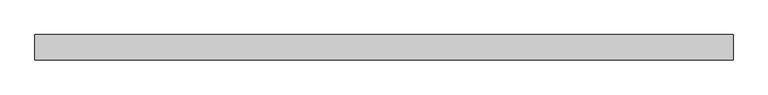
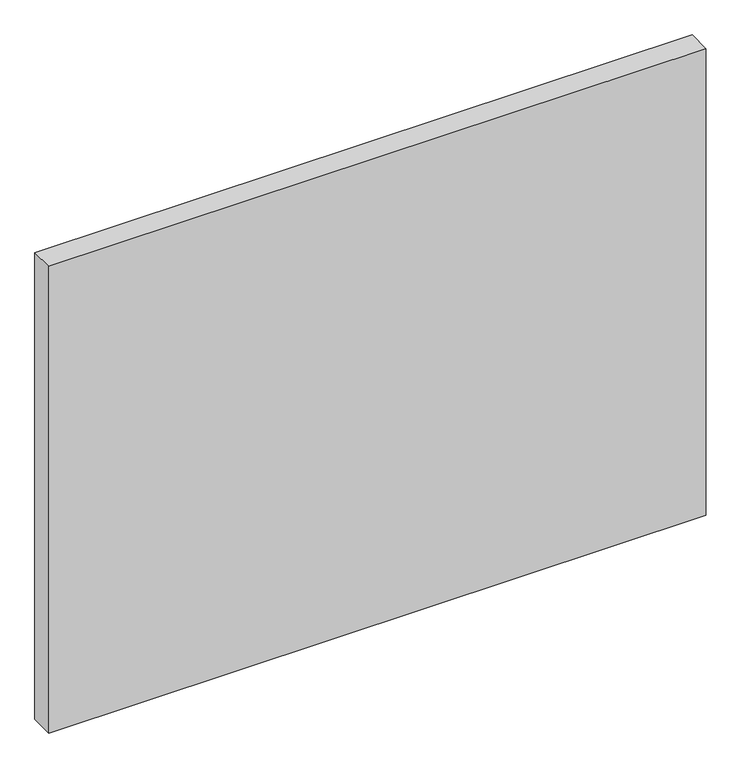
"""IFC4 building model written with IfcOpenShell, lengths in millimetres: plate geometry."""

import ifcopenshell
import ifcopenshell.guid

model = None  # the IFC model being written
_history = None  # IfcOwnerHistory: only IFC2X3 demands one
_inside = {}  # id of a spatial element -> (the spatial element, [elements in it])
_under = {}  # id of a project, library or spatial element -> (it, [spatial elements below it])
_declared = {}  # id of a project -> (the project, [libraries it declares])
_typed = {}  # id of a type object -> (the type object, [elements of that type])
_made_of = {}  # id of a material, layer set ... -> (it, [elements and type objects made of it])


def new_model(schema):
    """Start an empty IFC model of exactly this schema.

    Asked for "IFC4X3", IfcOpenShell would pick the latest addendum, in which some entities
    have other attributes; the version numbers below select the first issue.
    IFC2X3 requires an IfcOwnerHistory on every rooted entity: one is made here for all.
    """
    global model, _history
    if schema == "IFC4X3":
        model = ifcopenshell.file(schema_version=(4, 3, 0, 0))
    else:
        model = ifcopenshell.file(schema=schema)
    _inside.clear()
    _under.clear()
    _declared.clear()
    _typed.clear()
    _made_of.clear()
    _history = None
    if model.schema == "IFC2X3":
        org = make("IfcOrganization", Name="unknown")
        user = make(
            "IfcPersonAndOrganization",
            ThePerson=make("IfcPerson", FamilyName="unknown"),
            TheOrganization=org,
        )
        app = make(
            "IfcApplication",
            ApplicationDeveloper=org,
            Version="unknown",
            ApplicationFullName="unknown",
            ApplicationIdentifier="unknown",
        )
        _history = make(
            "IfcOwnerHistory",
            OwningUser=user,
            OwningApplication=app,
            ChangeAction="ADDED",
            CreationDate=0,
        )
    return model


def make(cls, **values):
    """One entity of the class cls with the attributes given. An attribute that is None is left unset."""
    return model.create_entity(
        cls, **{name: value for name, value in values.items() if value is not None}
    )


def rooted(cls, **values):
    """An entity with a GlobalId (a new one), such as an element, a storey or a relation."""
    return make(cls, GlobalId=ifcopenshell.guid.new(), OwnerHistory=_history, **values)


def si_unit(unit_type, name, prefix=None):
    """IfcSIUnit, for example si_unit("LENGTHUNIT", "METRE", prefix="MILLI")."""
    return make("IfcSIUnit", UnitType=unit_type, Prefix=prefix, Name=name)


def assignment(units):
    """IfcUnitAssignment: the units of a project."""
    return None if units is None else make("IfcUnitAssignment", Units=units)


def point(xyz):
    """IfcCartesianPoint."""
    return None if xyz is None else make("IfcCartesianPoint", Coordinates=xyz)


def direction(xyz):
    """IfcDirection."""
    return None if xyz is None else make("IfcDirection", DirectionRatios=xyz)


def frame(location, z_axis=None, x_axis=None):
    """IfcAxis2Placement3D, a coordinate frame: its origin and axes. An axis left out is left unset."""
    return make(
        "IfcAxis2Placement3D",
        Location=point(location),
        Axis=direction(z_axis),
        RefDirection=direction(x_axis),
    )


def origin():
    """The frame at (0, 0, 0) with its axes left unset."""
    return frame((0.0, 0.0, 0.0))


def origin_with_axes():
    """The frame at (0, 0, 0) with the z axis (0, 0, 1) and the x axis (1, 0, 0) written out."""
    return frame((0.0, 0.0, 0.0), z_axis=(0.0, 0.0, 1.0), x_axis=(1.0, 0.0, 0.0))


def place(relative_to, where):
    """IfcLocalPlacement: puts the frame where relative to a parent placement (None: the world)."""
    return make(
        "IfcLocalPlacement", PlacementRelTo=relative_to, RelativePlacement=where
    )


def context(
    kind, dimensions, precision=None, world=None, true_north=None, identifier=None
):
    """IfcGeometricRepresentationContext, for example the 3D "Model" context."""
    return make(
        "IfcGeometricRepresentationContext",
        ContextIdentifier=identifier,
        ContextType=kind,
        CoordinateSpaceDimension=dimensions,
        Precision=precision,
        WorldCoordinateSystem=world,
        TrueNorth=true_north,
    )


def project(units=None, contexts=None):
    """IfcProject with its units and contexts."""
    return rooted(
        "IfcProject",
        Name="project",
        RepresentationContexts=contexts,
        UnitsInContext=assignment(units),
    )


def spatial(cls, under=None, at=None, **own):
    """A site, building, storey or space (cls), placed at a placement, below another one or the project."""
    s = rooted(cls, ObjectPlacement=at, **own)
    if under is not None:
        _under.setdefault(under.id(), (under, []))[1].append(s)
    return s


def polyline(points):
    """IfcPolyline through the points."""
    return make("IfcPolyline", Points=[point(p) for p in points])


def outline(outer, holes=None, kind="AREA"):
    """IfcArbitraryClosedProfileDef: a profile drawn as a closed curve; with holes, ...WithVoids."""
    if holes is None:
        return make("IfcArbitraryClosedProfileDef", ProfileType=kind, OuterCurve=outer)
    return make(
        "IfcArbitraryProfileDefWithVoids",
        ProfileType=kind,
        OuterCurve=outer,
        InnerCurves=holes,
    )


def extrude(swept, where, along, depth):
    """IfcExtrudedAreaSolid: the profile swept, set in the frame where, extruded along a direction by depth."""
    return make(
        "IfcExtrudedAreaSolid",
        SweptArea=swept,
        Position=where,
        ExtrudedDirection=direction(along),
        Depth=depth,
    )


def shape(context_of_items, identifier, shape_type, items):
    """IfcShapeRepresentation: the items that make up one representation, for example the "Body"."""
    return make(
        "IfcShapeRepresentation",
        ContextOfItems=context_of_items,
        RepresentationIdentifier=identifier,
        RepresentationType=shape_type,
        Items=items,
    )


def source(mapping_origin, context_of_items, identifier, shape_type, items):
    """IfcRepresentationMap: a shape defined once, which mapped items show again and again."""
    return make(
        "IfcRepresentationMap",
        MappingOrigin=mapping_origin,
        MappedRepresentation=shape(context_of_items, identifier, shape_type, items),
    )


def transform(
    local_origin,
    x_axis=None,
    y_axis=None,
    z_axis=None,
    scale=None,
    scale2=None,
    scale3=None,
    uniform=True,
):
    """IfcCartesianTransformationOperator3D, or its non-uniform kind. x_axis, y_axis, z_axis: its Axis1, 2, 3."""
    if uniform:
        return make(
            "IfcCartesianTransformationOperator3D",
            Axis1=direction(x_axis),
            Axis2=direction(y_axis),
            LocalOrigin=point(local_origin),
            Scale=scale,
            Axis3=direction(z_axis),
        )
    return make(
        "IfcCartesianTransformationOperator3DnonUniform",
        Axis1=direction(x_axis),
        Axis2=direction(y_axis),
        LocalOrigin=point(local_origin),
        Scale=scale,
        Axis3=direction(z_axis),
        Scale2=scale2,
        Scale3=scale3,
    )


def mapped(mapping_source, mapping_target):
    """IfcMappedItem: shows the shape of a source again, moved by a transform."""
    return make(
        "IfcMappedItem", MappingSource=mapping_source, MappingTarget=mapping_target
    )


def made_of(thing, what):
    """Note that an element or type object is made of a material, layer set ...; save() writes the relation."""
    if what is not None:
        _made_of.setdefault(what.id(), (what, []))[1].append(thing)
    return thing


def element(
    cls,
    number,
    at=None,
    inside=None,
    cuts=None,
    type_object=None,
    material=None,
    context=None,
    identifier="Body",
    shape_type=None,
    held_by="IfcProductDefinitionShape",
    body=None,
    shapes=None,
    **own,
):
    """One element of the class cls, such as IfcWall. Its Tag is "e" and its number.

    at: its placement. inside: the storey or other place that contains it. cuts: it is an
    opening in that element (IfcRelVoidsElement). A single representation is given by context,
    identifier, shape_type and body (its items); several are given by shapes. held_by: the class
    of the entity that holds the representations. save() writes the other relations.
    """
    e = rooted(cls, Tag="e%d" % number, ObjectPlacement=at, **own)
    if body is not None:
        shapes = [shape(context, identifier, shape_type, body)]
    if shapes is not None:
        e.Representation = make(held_by, Representations=shapes)
    if inside is not None:
        _inside.setdefault(inside.id(), (inside, []))[1].append(e)
    if cuts is not None:
        rooted(
            "IfcRelVoidsElement", RelatingBuildingElement=cuts, RelatedOpeningElement=e
        )
    if type_object is not None:
        _typed.setdefault(type_object.id(), (type_object, []))[1].append(e)
    return made_of(e, material)


def aggregate(whole, parts):
    """IfcRelAggregates: a whole, such as a stair, and the parts it consists of."""
    return rooted("IfcRelAggregates", RelatingObject=whole, RelatedObjects=parts)


def save(model, path):
    """Write the relations noted so far, then the file.

    IfcRelAggregates (storeys below a building ...), IfcRelContainedInSpatialStructure (elements
    in a storey), IfcRelDefinesByType, IfcRelAssociatesMaterial and IfcRelDeclares: one each for
    every whole, place, type object, material and project.
    """
    for whole, parts in _under.values():
        aggregate(whole, parts)
    for where, things in _inside.values():
        rooted(
            "IfcRelContainedInSpatialStructure",
            RelatedElements=things,
            RelatingStructure=where,
        )
    for kind, things in _typed.values():
        rooted("IfcRelDefinesByType", RelatedObjects=things, RelatingType=kind)
    for what, things in _made_of.values():
        rooted("IfcRelAssociatesMaterial", RelatedObjects=things, RelatingMaterial=what)
    for by, libraries in _declared.values():
        rooted("IfcRelDeclares", RelatingContext=by, RelatedDefinitions=libraries)
    model.write(path)


def plate_050975ec(model_context):
    return source(origin(), model_context, "Body", "SweptSolid", [
        extrude(outline(polyline([(690.0, -25.0), (-690.0, -25.0), (-690.0, 25.0), (690.0, 25.0), (690.0, -25.0)])), origin_with_axes(), (0.0, 0.0, 1.0), 1035.0),
    ])


if __name__ == "__main__":
    model = new_model("IFC4")
    model_context = context("Model", 3, world=origin())
    ifc_project = project(units=[si_unit("LENGTHUNIT", "METRE", prefix="MILLI")], contexts=[model_context])
    site = spatial("IfcSite", under=ifc_project)
    building = spatial("IfcBuilding", under=site)
    placement = place(None, origin())
    plate_shape = plate_050975ec(model_context)
    element("IfcPlate", 1, at=placement, inside=building, context=model_context, shape_type="MappedRepresentation", body=[
        mapped(plate_shape, transform((0.0, 0.0, 0.0), x_axis=(1.0, 0.0, 0.0), y_axis=(0.0, 1.0, 0.0), z_axis=(0.0, 0.0, 1.0))),
    ])
    save(model, "model.ifc")
